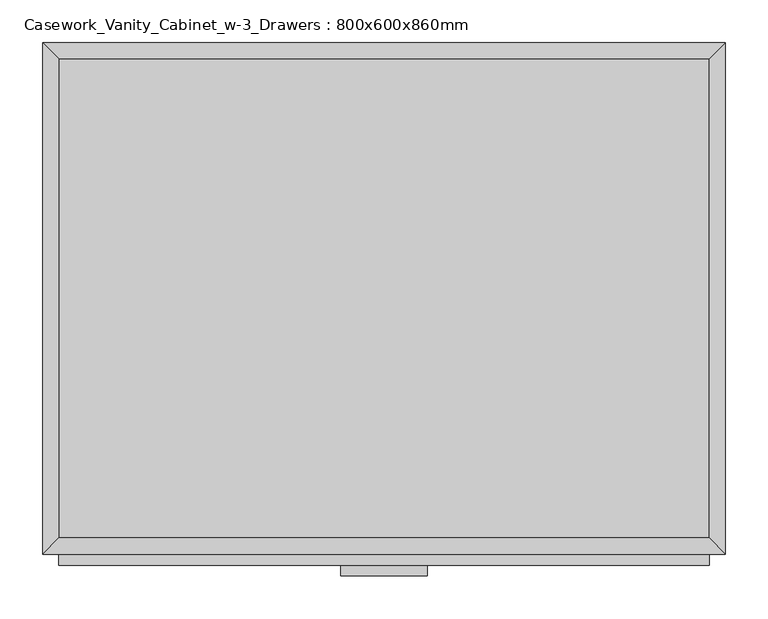
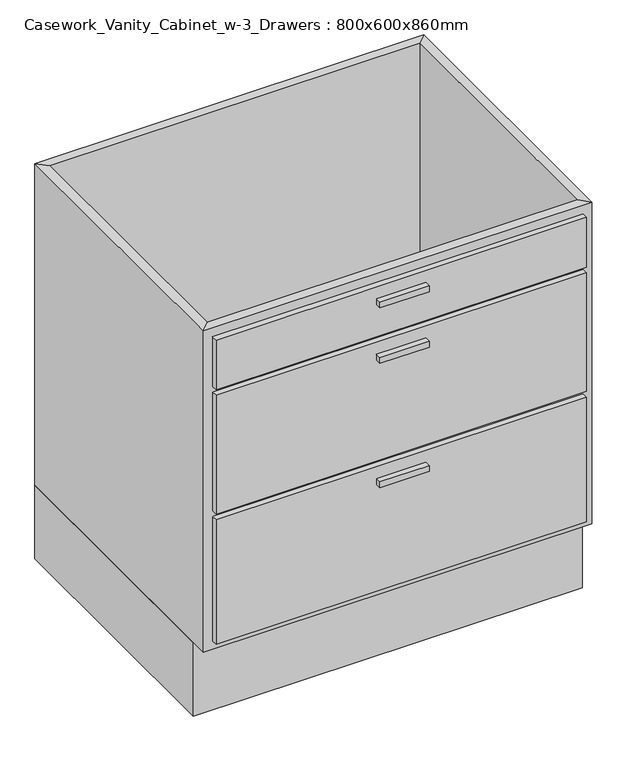
"""IFC4 building model written with IfcOpenShell, lengths in millimetres: furniture geometry, Casework_Vanity_Cabinet_w-3_Drawers : 800x600x860mm."""

from ifc_helpers import new_model, si_unit, frame, origin, origin_with_axes, place, context, project, spatial, polyline, outline, extrude, faceted_brep, source, transform, mapped, element, save


def casework_vanity_cabinet_w_3_drawers_800x600x860mm_a4546027(model_context):
    return source(origin(), model_context, "Body", "SolidModel", [
        extrude(outline(polyline([(418.7377049, 0.0), (418.7377049, -565.0), (-381.2622951, -565.0), (-381.2622951, 0.0), (418.7377049, 0.0)])), origin_with_axes(), (0.0, 0.0, 1.0), 160.0),
        faceted_brep([(399.6877049, -580.95, 860.0), (399.6877049, -580.95, 160.0), (-362.2122951, -580.95, 160.0), (-362.2122951, -580.95, 860.0), (418.7377049, -600.0, 860.0), (-381.2622951, -600.0, 860.0), (418.7377049, -600.0, 160.0), (-381.2622951, -600.0, 160.0), (-362.2122951, -19.05, 160.0), (-362.2122951, -19.05, 860.0), (-381.2622951, 0.0, 860.0), (-381.2622951, 0.0, 160.0), (399.6877049, -19.05, 160.0), (399.6877049, -19.05, 860.0), (418.7377049, 0.0, 860.0), (418.7377049, 0.0, 160.0)], [[[0, 1, 2, 3]], [[4, 0, 3, 5]], [[6, 4, 5, 7]], [[1, 6, 7, 2]], [[3, 2, 8, 9]], [[5, 3, 9, 10]], [[7, 5, 10, 11]], [[2, 7, 11, 8]], [[9, 8, 12, 13]], [[10, 9, 13, 14]], [[11, 10, 14, 15]], [[8, 11, 15, 12]], [[13, 12, 1, 0]], [[14, 13, 0, 4]], [[15, 14, 4, 6]], [[12, 15, 6, 1]]]),
        extrude(outline(polyline([(399.6877049, -19.05), (399.6877049, -580.95), (-362.2122951, -580.95), (-362.2122951, -19.05), (399.6877049, -19.05)])), frame((0.0, 0.0, 160.0), z_axis=(0.0, 0.0, 1.0), x_axis=(1.0, 0.0, 0.0)), (0.0, 0.0, 1.0), 19.05),
        extrude(outline(polyline([(399.6877049, -612.7), (-362.2122951, -612.7), (-362.2122951, -600.0), (399.6877049, -600.0), (399.6877049, -612.7)])), frame((0.0, 0.0, 733.0), z_axis=(0.0, 0.0, 1.0), x_axis=(1.0, 0.0, 0.0)), (0.0, 0.0, 1.0), 107.95),
        extrude(outline(polyline([(399.6877049, -612.7), (-362.2122951, -612.7), (-362.2122951, -600.0), (399.6877049, -600.0), (399.6877049, -612.7)])), frame((0.0, 0.0, 462.375), z_axis=(0.0, 0.0, 1.0), x_axis=(1.0, 0.0, 0.0)), (0.0, 0.0, 1.0), 257.925),
        extrude(outline(polyline([(399.6877049, -612.7), (-362.2122951, -612.7), (-362.2122951, -600.0), (399.6877049, -600.0), (399.6877049, -612.7)])), frame((0.0, 0.0, 179.05), z_axis=(0.0, 0.0, 1.0), x_axis=(1.0, 0.0, 0.0)), (0.0, 0.0, 1.0), 270.625),
        extrude(outline(polyline([(69.5377049, -625.4), (-32.0622951, -625.4), (-32.0622951, -612.7), (69.5377049, -612.7), (69.5377049, -625.4)])), frame((0.0, 0.0, 802.85), z_axis=(0.0, 0.0, 1.0), x_axis=(1.0, 0.0, 0.0)), (0.0, 0.0, 1.0), 12.7),
        extrude(outline(polyline([(69.5377049, -625.4), (-32.0622951, -625.4), (-32.0622951, -612.7), (69.5377049, -612.7), (69.5377049, -625.4)])), frame((0.0, 0.0, 682.2), z_axis=(0.0, 0.0, 1.0), x_axis=(1.0, 0.0, 0.0)), (0.0, 0.0, 1.0), 12.7),
        extrude(outline(polyline([(69.5377049, -625.4), (-32.0622951, -625.4), (-32.0622951, -612.7), (69.5377049, -612.7), (69.5377049, -625.4)])), frame((0.0, 0.0, 411.575), z_axis=(0.0, 0.0, 1.0), x_axis=(1.0, 0.0, 0.0)), (0.0, 0.0, 1.0), 12.7),
    ])


if __name__ == "__main__":
    model = new_model("IFC4")
    model_context = context("Model", 3, world=origin())
    ifc_project = project(units=[si_unit("LENGTHUNIT", "METRE", prefix="MILLI")], contexts=[model_context])
    site = spatial("IfcSite", under=ifc_project)
    building = spatial("IfcBuilding", under=site)
    placement = place(None, origin())
    casework_vanity_cabinet_w_3_drawers_800x600x860mm_shape = casework_vanity_cabinet_w_3_drawers_800x600x860mm_a4546027(model_context)
    element("IfcFurniture", 1, ObjectType="Casework_Vanity_Cabinet_w-3_Drawers : 800x600x860mm", at=placement, inside=building, context=model_context, shape_type="MappedRepresentation", body=[
        mapped(casework_vanity_cabinet_w_3_drawers_800x600x860mm_shape, transform((0.0, 0.0, 0.0), x_axis=(1.0, 0.0, 0.0), y_axis=(0.0, 1.0, 0.0), z_axis=(0.0, 0.0, 1.0))),
    ])
    save(model, "model.ifc")
